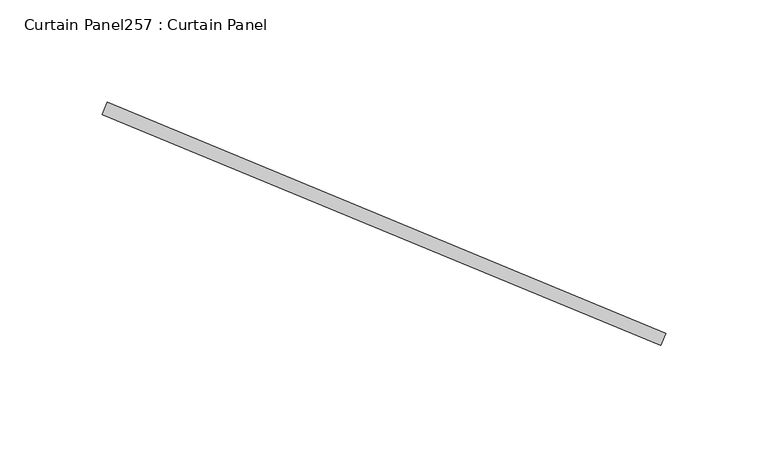
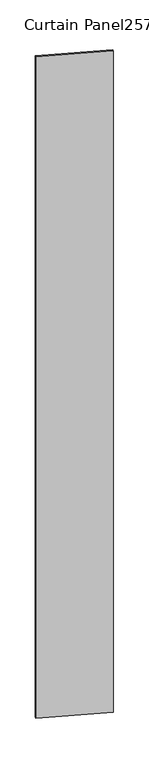
"""IFC4 building model written with IfcOpenShell, lengths in millimetres: plate geometry, Curtain Panel257 : Curtain Panel."""

from ifc_helpers import new_model, si_unit, frame, origin, place, context, project, spatial, polyline, outline, extrude, source, transform, mapped, element, save


def curtain_panel257_curtain_panel_38ac342d(model_context):
    return source(origin(), model_context, "Body", "SweptSolid", [
        extrude(outline(polyline([(577895.7340955, 3029.5640914), (578167.94112, 2916.8122501), (578165.5110802, 2910.9456151), (577893.3040557, 3023.6974564), (577895.7340955, 3029.5640914)])), frame((0.0, 0.0, 4959.7989371), z_axis=(0.0, 0.0, 1.0), x_axis=(1.0, 0.0, 0.0)), (0.0, 0.0, 1.0), 3048.0),
    ])


if __name__ == "__main__":
    model = new_model("IFC4")
    model_context = context("Model", 3, world=origin())
    ifc_project = project(units=[si_unit("LENGTHUNIT", "METRE", prefix="MILLI")], contexts=[model_context])
    site = spatial("IfcSite", under=ifc_project)
    building = spatial("IfcBuilding", under=site)
    placement = place(None, origin())
    curtain_panel257_curtain_panel_shape = curtain_panel257_curtain_panel_38ac342d(model_context)
    element("IfcPlate", 1, ObjectType="Curtain Panel257 : Curtain Panel", at=placement, inside=building, context=model_context, shape_type="MappedRepresentation", body=[
        mapped(curtain_panel257_curtain_panel_shape, transform((0.0, 0.0, 0.0), x_axis=(1.0, 0.0, 0.0), y_axis=(0.0, 1.0, 0.0), z_axis=(0.0, 0.0, 1.0))),
    ])
    save(model, "model.ifc")
